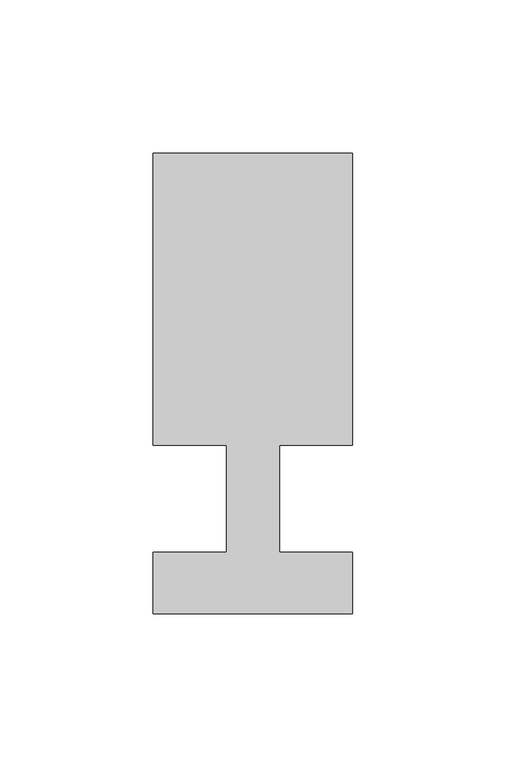
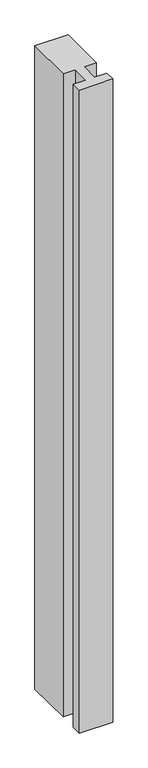
"""IFC4 building model written with IfcOpenShell, lengths in millimetres: member geometry."""

from ifc_helpers import new_model, si_unit, frame, origin, place, context, project, spatial, polyline, outline, extrude, source, transform, mapped, element, save


def member_8111dda2(model_context):
    return source(origin(), model_context, "Body", "SweptSolid", [
        extrude(outline(polyline([(-65.0, -37.0), (-65.0, -17.0), (-41.1875, -17.0), (-41.1875, 18.0), (-65.0, 18.0), (-65.0, 113.0), (0.0, 113.0), (0.0, 18.0), (-23.8125, 18.0), (-23.8125, -17.0), (0.0, -17.0), (0.0, -37.0), (-65.0, -37.0)])), frame((0.0, 0.0, -1326.7391304), z_axis=(0.0, 0.0, 1.0), x_axis=(1.0, 0.0, 0.0)), (0.0, 0.0, 1.0), 1326.7391304),
    ])


if __name__ == "__main__":
    model = new_model("IFC4")
    model_context = context("Model", 3, world=origin())
    ifc_project = project(units=[si_unit("LENGTHUNIT", "METRE", prefix="MILLI")], contexts=[model_context])
    site = spatial("IfcSite", under=ifc_project)
    building = spatial("IfcBuilding", under=site)
    placement = place(None, origin())
    member_shape = member_8111dda2(model_context)
    element("IfcMember", 1, at=placement, inside=building, context=model_context, shape_type="MappedRepresentation", body=[
        mapped(member_shape, transform((0.0, 0.0, 0.0), x_axis=(1.0, 0.0, 0.0), y_axis=(0.0, 1.0, 0.0), z_axis=(0.0, 0.0, 1.0))),
    ])
    save(model, "model.ifc")
